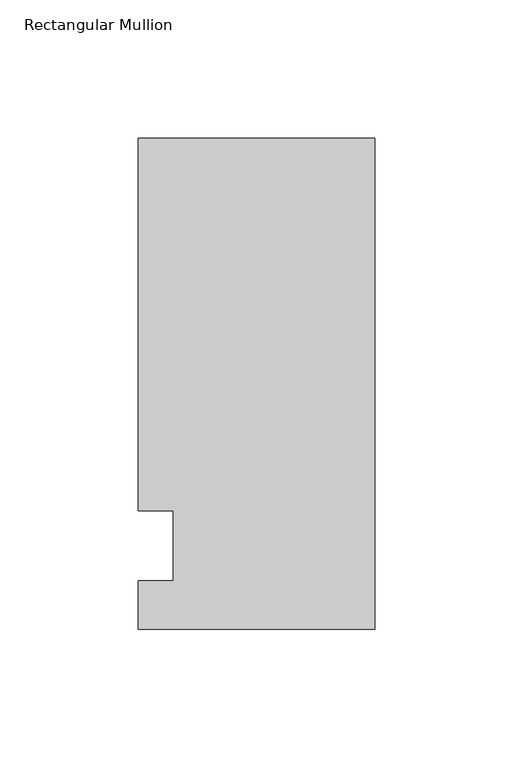
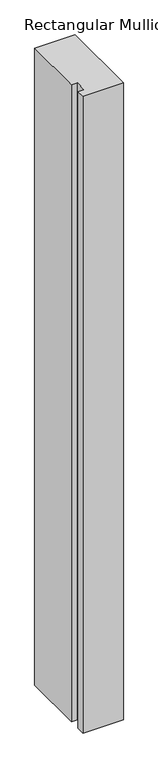
"""IFC4 building model written with IfcOpenShell, lengths in millimetres: member geometry, Rectangular Mullion."""

from ifc_helpers import new_model, si_unit, frame, origin, place, context, project, spatial, polyline, outline, extrude, source, transform, mapped, element, save


def rectangular_mullion_0a8edce0(model_context):
    return source(origin(), model_context, "Body", "SweptSolid", [
        extrude(outline(polyline([(-85.725, 147.6375), (0.0, 147.6375), (0.0, -30.1625), (-85.725, -30.1625), (-85.725, -12.7), (-73.0232296, -12.7), (-73.0232296, 12.7), (-85.725, 12.7), (-85.725, 147.6375)])), frame((0.0, 0.0, -1430.8666667), z_axis=(0.0, 0.0, 1.0), x_axis=(1.0, 0.0, 0.0)), (0.0, 0.0, 1.0), 1430.8666667),
    ])


if __name__ == "__main__":
    model = new_model("IFC4")
    model_context = context("Model", 3, world=origin())
    ifc_project = project(units=[si_unit("LENGTHUNIT", "METRE", prefix="MILLI")], contexts=[model_context])
    site = spatial("IfcSite", under=ifc_project)
    building = spatial("IfcBuilding", under=site)
    placement = place(None, origin())
    rectangular_mullion_shape = rectangular_mullion_0a8edce0(model_context)
    element("IfcMember", 1, ObjectType="Rectangular Mullion", at=placement, inside=building, context=model_context, shape_type="MappedRepresentation", body=[
        mapped(rectangular_mullion_shape, transform((0.0, 0.0, 0.0), x_axis=(1.0, 0.0, 0.0), y_axis=(0.0, 1.0, 0.0), z_axis=(0.0, 0.0, 1.0))),
    ])
    save(model, "model.ifc")
